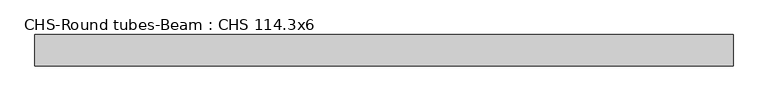
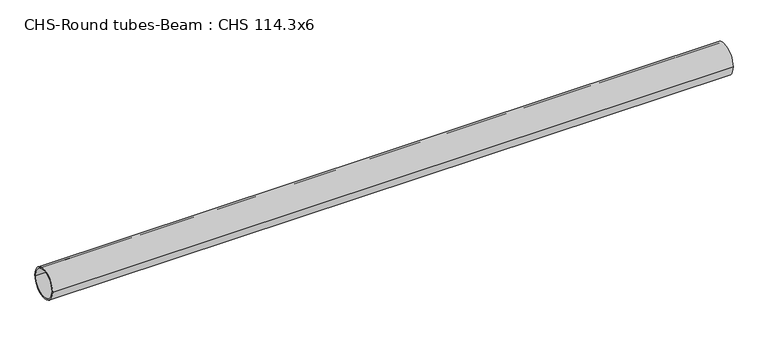
"""IFC4 building model written with IfcOpenShell, lengths in millimetres: beam geometry, CHS-Round tubes-Beam : CHS 114.3x6."""

from ifc_helpers import new_model, si_unit, point, frame, origin, origin_2d, place, context, project, spatial, circle_curve, trimmed, segment, composite_curve, outline, extrude, source, transform, mapped, element, save


def chs_round_tubes_beam_chs_114_3x6_59eb504d(model_context):
    return source(origin(), model_context, "Body", "SweptSolid", [
        extrude(outline(composite_curve([segment(trimmed(circle_curve(origin_2d(), 57.15), [point((57.15, 0.0))], [point((-57.15, 0.0))], False, "CARTESIAN"), True, "CONTINUOUS"), segment(trimmed(circle_curve(origin_2d(), 57.15), [point((-57.15, 0.0))], [point((57.15, 0.0))], False, "CARTESIAN"), True, "CONTINUOUS")], self_intersect=False), holes=[composite_curve([segment(trimmed(circle_curve(origin_2d(), 51.15), [point((51.15, 0.0))], [point((-51.15, 0.0))], True, "CARTESIAN"), True, "CONTINUOUS"), segment(trimmed(circle_curve(origin_2d(), 51.15), [point((-51.15, 0.0))], [point((51.15, 0.0))], True, "CARTESIAN"), True, "CONTINUOUS")], self_intersect=False)]), frame((-1107.6017562, 0.0, 0.0), z_axis=(1.0, 0.0, 0.0), x_axis=(0.0, 1.0, 0.0)), (0.0, 0.0, 1.0), 2541.4459149),
    ])


if __name__ == "__main__":
    model = new_model("IFC4")
    model_context = context("Model", 3, world=origin())
    ifc_project = project(units=[si_unit("LENGTHUNIT", "METRE", prefix="MILLI")], contexts=[model_context])
    site = spatial("IfcSite", under=ifc_project)
    building = spatial("IfcBuilding", under=site)
    placement = place(None, origin())
    chs_round_tubes_beam_chs_114_3x6_shape = chs_round_tubes_beam_chs_114_3x6_59eb504d(model_context)
    element("IfcBeam", 1, ObjectType="CHS-Round tubes-Beam : CHS 114.3x6", at=placement, inside=building, context=model_context, shape_type="MappedRepresentation", body=[
        mapped(chs_round_tubes_beam_chs_114_3x6_shape, transform((0.0, 0.0, 0.0), x_axis=(1.0, 0.0, 0.0), y_axis=(0.0, 1.0, 0.0), z_axis=(0.0, 0.0, 1.0))),
    ])
    save(model, "model.ifc")
